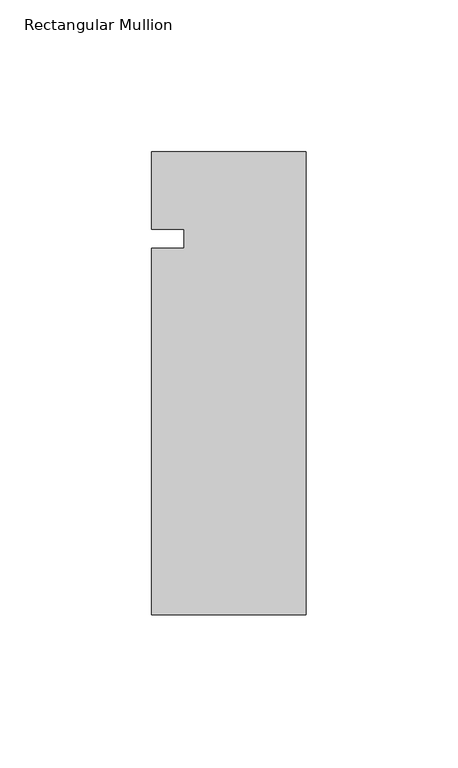
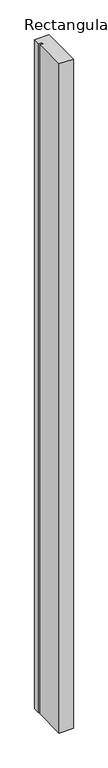
"""IFC4 building model written with IfcOpenShell, lengths in millimetres: member geometry, Rectangular Mullion."""

from ifc_helpers import new_model, si_unit, frame, origin, place, context, project, spatial, polyline, outline, extrude, source, transform, mapped, element, save


def rectangular_mullion_ff58a4fd(model_context):
    return source(origin(), model_context, "Body", "SweptSolid", [
        extrude(outline(polyline([(0.0, -152.4), (-50.8, -152.4), (-50.8, -31.75), (-40.0803063, -31.75), (-40.0803063, -25.4), (-50.8, -25.4), (-50.8, 0.0), (0.0, 0.0), (0.0, -152.4)])), frame((0.0, 0.0, -2540.0), z_axis=(0.0, 0.0, 1.0), x_axis=(1.0, 0.0, 0.0)), (0.0, 0.0, 1.0), 2540.0),
    ])


if __name__ == "__main__":
    model = new_model("IFC4")
    model_context = context("Model", 3, world=origin())
    ifc_project = project(units=[si_unit("LENGTHUNIT", "METRE", prefix="MILLI")], contexts=[model_context])
    site = spatial("IfcSite", under=ifc_project)
    building = spatial("IfcBuilding", under=site)
    placement = place(None, origin())
    rectangular_mullion_shape = rectangular_mullion_ff58a4fd(model_context)
    element("IfcMember", 1, ObjectType="Rectangular Mullion", at=placement, inside=building, context=model_context, shape_type="MappedRepresentation", body=[
        mapped(rectangular_mullion_shape, transform((0.0, 0.0, 0.0), x_axis=(1.0, 0.0, 0.0), y_axis=(0.0, 1.0, 0.0), z_axis=(0.0, 0.0, 1.0))),
    ])
    save(model, "model.ifc")
